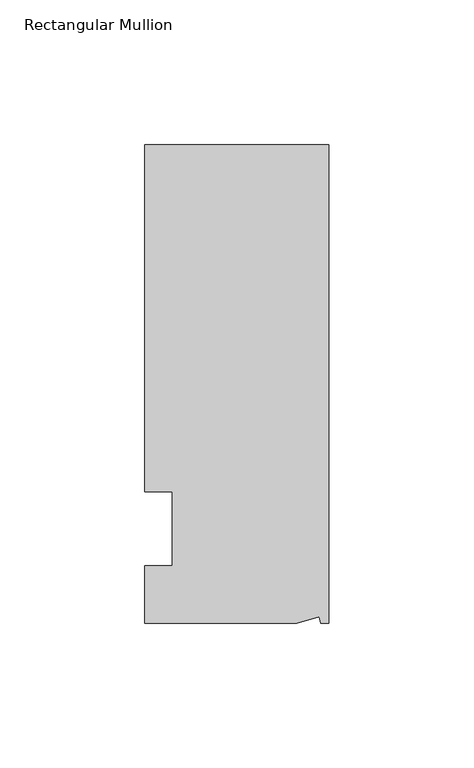
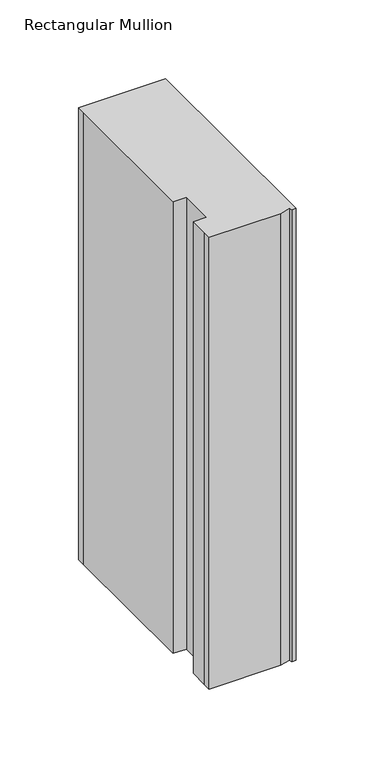
"""IFC4 building model written with IfcOpenShell, lengths in millimetres: member geometry, Rectangular Mullion."""

from ifc_helpers import new_model, si_unit, origin, place, context, project, spatial, faceted_brep, source, transform, mapped, element, save


def rectangular_mullion_e622f634(model_context):
    return source(origin(), model_context, "Body", "Brep", [
        faceted_brep([(0.0, 132.5561012, 0.0), (-63.5, 132.5561012, 0.0), (-63.5, 126.2061012, 0.0), (-63.5, 12.8488281, 0.0), (-53.975, 12.8488281, 0.0), (-53.975, -12.7, 0.0), (-63.5, -12.7, 0.0), (-63.5, -26.1938988, 0.0), (-63.5076469, -32.5438988, 0.0), (-11.1125, -32.5438988, 0.0), (-3.3223696, -30.4565397, 0.0), (-2.7630634, -32.5438988, 0.0), (0.0, -32.5438988, 0.0), (0.0, 132.5561012, -349.25), (0.0, -32.5438988, -349.25), (-2.7630634, -32.5438988, -349.25), (-3.3223696, -30.4565397, -349.25), (-11.1125, -32.5438988, -349.25), (-63.5076469, -32.5438988, -349.25), (-63.5076469, -26.1938988, -349.25), (-63.5, -12.7, -349.25), (-53.975, -12.7, -349.25), (-53.975, 12.8488281, -349.25), (-63.5, 12.8488281, -349.25), (-63.5, 126.2061012, -349.25), (-63.5, 132.5561012, -349.25)], [[[0, 1, 2, 3, 4, 5, 6, 7, 8, 9, 10, 11, 12]], [[13, 14, 15, 16, 17, 18, 19, 20, 21, 22, 23, 24, 25]], [[0, 12, 14, 13]], [[1, 0, 13, 25]], [[3, 2, 24, 23]], [[4, 3, 23, 22]], [[5, 4, 22, 21]], [[6, 5, 21, 20]], [[7, 6, 20, 19]], [[9, 8, 18, 17]], [[10, 9, 17, 16]], [[11, 10, 16, 15]], [[12, 11, 15, 14]], [[2, 1, 25, 24]], [[8, 7, 19, 18]]]),
    ])


if __name__ == "__main__":
    model = new_model("IFC4")
    model_context = context("Model", 3, world=origin())
    ifc_project = project(units=[si_unit("LENGTHUNIT", "METRE", prefix="MILLI")], contexts=[model_context])
    site = spatial("IfcSite", under=ifc_project)
    building = spatial("IfcBuilding", under=site)
    placement = place(None, origin())
    rectangular_mullion_shape = rectangular_mullion_e622f634(model_context)
    element("IfcMember", 1, ObjectType="Rectangular Mullion", at=placement, inside=building, context=model_context, shape_type="MappedRepresentation", body=[
        mapped(rectangular_mullion_shape, transform((0.0, 0.0, 0.0), x_axis=(1.0, 0.0, 0.0), y_axis=(0.0, 1.0, 0.0), z_axis=(0.0, 0.0, 1.0))),
    ])
    save(model, "model.ifc")
